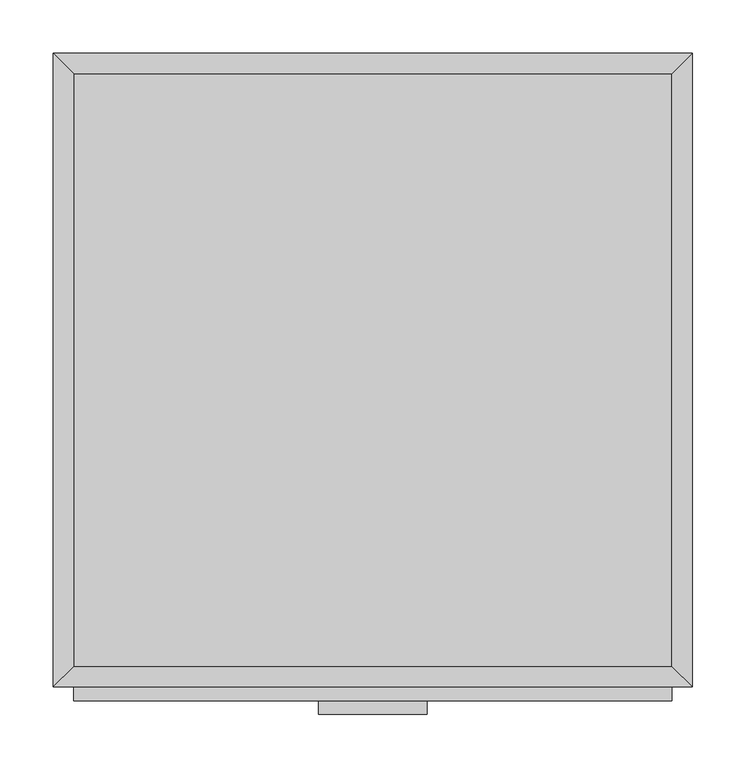
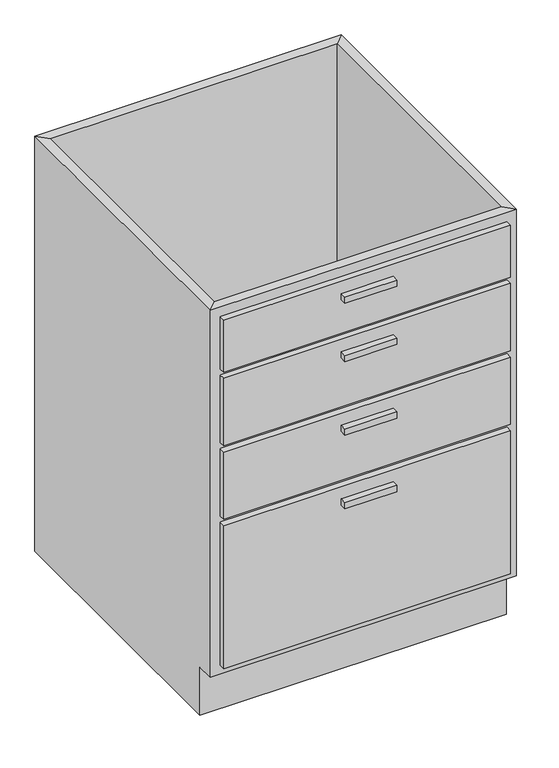
"""IFC4 building model written with IfcOpenShell, lengths in millimetres: furniture geometry."""

from ifc_helpers import new_model, si_unit, frame, origin, place, context, project, spatial, polyline, outline, extrude, faceted_brep, source, transform, mapped, element, save


def furniture_3907b3a1(model_context):
    return source(origin(), model_context, "Body", "SolidModel", [
        faceted_brep([(299.6877049, -575.95, 860.0), (299.6877049, -575.95, 100.0), (-262.2122951, -575.95, 100.0), (-262.2122951, -575.95, 860.0), (-281.2622951, -595.0, 860.0), (318.7377049, -595.0, 860.0), (-281.2622951, -595.0, 100.0), (318.7377049, -595.0, 100.0), (-262.2122951, -560.0, 100.0), (-262.2122951, -19.05, 100.0), (-262.2122951, -19.05, 860.0), (-281.2622951, 0.0, 860.0), (-281.2622951, 0.0, 0.0), (-281.2622951, -560.0, 0.0), (-281.2622951, -560.0, 100.0), (299.6877049, -19.05, 100.0), (299.6877049, -19.05, 860.0), (318.7377049, 0.0, 860.0), (318.7377049, 0.0, 0.0), (299.6877049, -560.0, 100.0), (318.7377049, -560.0, 100.0), (318.7377049, -560.0, 0.0)], [[[0, 1, 2, 3]], [[0, 3, 4, 5]], [[5, 4, 6, 7]], [[2, 1, 7, 6]], [[3, 2, 8, 9, 10]], [[4, 3, 10, 11]], [[6, 4, 11, 12, 13, 14]], [[2, 6, 14, 8]], [[10, 9, 15, 16]], [[11, 10, 16, 17]], [[12, 11, 17, 18]], [[1, 0, 16, 15, 19]], [[0, 5, 17, 16]], [[5, 7, 20, 21, 18, 17]], [[7, 1, 19, 20]], [[8, 19, 15, 9]], [[18, 21, 13, 12]], [[13, 21, 20, 19, 8, 14]]]),
        extrude(outline(polyline([(69.5377049, -620.4), (-32.0622951, -620.4), (-32.0622951, -607.7), (69.5377049, -607.7), (69.5377049, -620.4)])), frame((0.0, 0.0, 802.85), z_axis=(0.0, 0.0, 1.0), x_axis=(1.0, 0.0, 0.0)), (0.0, 0.0, 1.0), 12.7),
        extrude(outline(polyline([(69.5377049, -620.4), (-32.0622951, -620.4), (-32.0622951, -607.7), (69.5377049, -607.7), (69.5377049, -620.4)])), frame((0.0, 0.0, 682.2), z_axis=(0.0, 0.0, 1.0), x_axis=(1.0, 0.0, 0.0)), (0.0, 0.0, 1.0), 12.7),
        extrude(outline(polyline([(69.5377049, -620.4), (-32.0622951, -620.4), (-32.0622951, -607.7), (69.5377049, -607.7), (69.5377049, -620.4)])), frame((0.0, 0.0, 529.8), z_axis=(0.0, 0.0, 1.0), x_axis=(1.0, 0.0, 0.0)), (0.0, 0.0, 1.0), 12.7),
        extrude(outline(polyline([(69.5377049, -620.4), (-32.0622951, -620.4), (-32.0622951, -607.7), (69.5377049, -607.7), (69.5377049, -620.4)])), frame((0.0, 0.0, 377.4), z_axis=(0.0, 0.0, 1.0), x_axis=(1.0, 0.0, 0.0)), (0.0, 0.0, 1.0), 12.7),
        extrude(outline(polyline([(299.6877049, -607.7), (-262.2122951, -607.7), (-262.2122951, -595.0), (299.6877049, -595.0), (299.6877049, -607.7)])), frame((0.0, 0.0, 733.0), z_axis=(0.0, 0.0, 1.0), x_axis=(1.0, 0.0, 0.0)), (0.0, 0.0, 1.0), 107.95),
        extrude(outline(polyline([(299.6877049, -607.7), (-262.2122951, -607.7), (-262.2122951, -595.0), (299.6877049, -595.0), (299.6877049, -607.7)])), frame((0.0, 0.0, 580.6), z_axis=(0.0, 0.0, 1.0), x_axis=(1.0, 0.0, 0.0)), (0.0, 0.0, 1.0), 139.7),
        extrude(outline(polyline([(299.6877049, -607.7), (-262.2122951, -607.7), (-262.2122951, -595.0), (299.6877049, -595.0), (299.6877049, -607.7)])), frame((0.0, 0.0, 428.2), z_axis=(0.0, 0.0, 1.0), x_axis=(1.0, 0.0, 0.0)), (0.0, 0.0, 1.0), 139.7),
        extrude(outline(polyline([(299.6877049, -607.7), (-262.2122951, -607.7), (-262.2122951, -595.0), (299.6877049, -595.0), (299.6877049, -607.7)])), frame((0.0, 0.0, 119.05), z_axis=(0.0, 0.0, 1.0), x_axis=(1.0, 0.0, 0.0)), (0.0, 0.0, 1.0), 296.45),
        extrude(outline(polyline([(299.6877049, -19.05), (299.6877049, -575.95), (-262.2122951, -575.95), (-262.2122951, -19.05), (299.6877049, -19.05)])), frame((0.0, 0.0, 100.0), z_axis=(0.0, 0.0, 1.0), x_axis=(1.0, 0.0, 0.0)), (0.0, 0.0, 1.0), 19.05),
    ])


if __name__ == "__main__":
    model = new_model("IFC4")
    model_context = context("Model", 3, world=origin())
    ifc_project = project(units=[si_unit("LENGTHUNIT", "METRE", prefix="MILLI")], contexts=[model_context])
    site = spatial("IfcSite", under=ifc_project)
    building = spatial("IfcBuilding", under=site)
    placement = place(None, origin())
    furniture_shape = furniture_3907b3a1(model_context)
    element("IfcFurniture", 1, at=placement, inside=building, context=model_context, shape_type="MappedRepresentation", body=[
        mapped(furniture_shape, transform((0.0, 0.0, 0.0), x_axis=(1.0, 0.0, 0.0), y_axis=(0.0, 1.0, 0.0), z_axis=(0.0, 0.0, 1.0))),
    ])
    save(model, "model.ifc")
